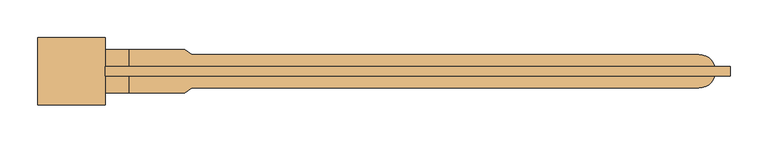
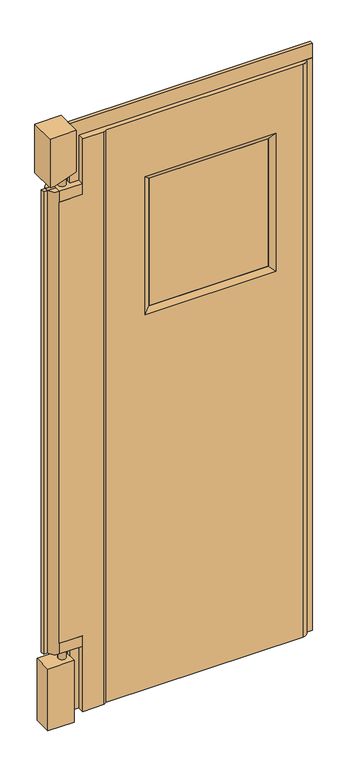
"""IFC4 building model written with IfcOpenShell, lengths in millimetres: door geometry."""

from ifc_helpers import new_model, si_unit, frame, origin, place, context, project, spatial, polyline, circle_curve, ellipse_curve, outline, extrude, source, transform, mapped, element, save
from ifc_brep_helpers import plane_surface, cylinder_surface, advanced_brep


def door_4f644c84(model_context):
    return source(origin(), model_context, "Body", "SolidModel", [
        extrude(outline(polyline([(1264.5906968, -856.2910438), (1296.3406968, -856.2910438), (1296.3406968, -868.9910438), (1264.5906968, -868.9910438), (1264.5906968, -856.2910438)])), frame((0.0, 0.0, 25.4), z_axis=(0.0, 0.0, 1.0), x_axis=(1.0, 0.0, 0.0)), (0.0, 0.0, 1.0), 234.95),
        extrude(outline(polyline([(1216.9656968, -856.2910438), (1216.9656968, -868.9910438), (1175.6906968, -868.9910438), (1175.6906968, -856.2910438), (1216.9656968, -856.2910438)])), frame((0.0, 0.0, 260.35), z_axis=(0.0, 0.0, 1.0), x_axis=(1.0, 0.0, 0.0)), (0.0, 0.0, 1.0), 1660.7934956),
        extrude(outline(polyline([(2090.0906968, -856.2910438), (2090.0906968, -868.9910438), (2055.1656968, -868.9910438), (2055.1656968, -856.2910438), (2090.0906968, -856.2910438)])), frame((0.0, 0.0, 25.4), z_axis=(0.0, 0.0, 1.0), x_axis=(1.0, 0.0, 0.0)), (0.0, 0.0, 1.0), 2057.4),
        extrude(outline(polyline([(1921.1434956, 1296.3406968), (2082.8, 1296.3406968), (2082.8, 2090.0906968), (2133.6, 2090.0906968), (2133.6, 1264.5906968), (1921.1434956, 1264.5906968), (1921.1434956, 1296.3406968)])), frame((0.0, -868.9910438, 0.0), z_axis=(0.0, 1.0, 0.0), x_axis=(0.0, 0.0, 1.0)), (0.0, 0.0, 1.0), 12.7),
        extrude(outline(polyline([(1937.6906968, -873.8675212), (1531.2906968, -873.8675212), (1531.2906968, -851.4145665), (1937.6906968, -851.4145665), (1937.6906968, -873.8675212)])), frame((0.0, 0.0, 1390.65), z_axis=(0.0, 0.0, 1.0), x_axis=(1.0, 0.0, 0.0)), (0.0, 0.0, 1.0), 457.2),
        advanced_brep(
        [(1175.6906968, -907.0910438, 2133.6), (1264.5906968, -907.0910438, 2133.6), (1264.5906968, -818.1910438, 2133.6), (1175.6906968, -818.1910438, 2133.6), (1229.6656968, -862.6410438, 1973.1107615), (1229.6656968, -862.6410438, 222.25), (1255.0656968, -862.6410438, 222.25), (1255.0656968, -862.6410438, 1982.3556055), (1175.6906968, -907.0910438, 1959.2434956), (1191.5656968, -907.0910438, 1959.2434956), (1264.5906968, -907.0910438, 1985.822422), (1264.5906968, -818.1910438, 1985.822422), (1191.5656968, -818.1910438, 1959.2434956), (1175.6906968, -818.1910438, 1959.2434956), (1264.5906968, -894.3910438, 222.25), (1175.6906968, -894.3910438, 222.25), (1175.6906968, -894.3910438, 0.0), (1264.5906968, -894.3910438, 0.0), (1264.5906968, -830.8910438, 222.25), (1264.5906968, -830.8910438, 0.0), (1175.6906968, -830.8910438, 0.0), (1175.6906968, -830.8910438, 222.25)],
        [
            (0, 1),
            (1, 2),
            (2, 3),
            (3, 0),
            (4, 5),
            (5, 6, circle_curve(frame((1242.3656968, -862.6410438, 222.25), z_axis=(0.0, 0.0, 1.0), x_axis=(1.0, 0.0, 0.0)), 12.7)),
            (6, 7),
            (7, 4, ellipse_curve(frame((1242.3656968, -862.6410438, 1977.7331835), z_axis=(0.34202014332564074, 0.0, -0.9396926207859186), x_axis=(0.9396926207859186, 0.0, 0.34202014332564046)), 13.5150577, 12.7)),
            (4, 7, ellipse_curve(frame((1242.3656968, -862.6410438, 1977.7331835), z_axis=(0.34202014332564074, 0.0, -0.9396926207859186), x_axis=(0.9396926207859186, 0.0, 0.34202014332564046)), 13.5150577, 12.7)),
            (6, 5, circle_curve(frame((1242.3656968, -862.6410438, 222.25), z_axis=(0.0, 0.0, 1.0), x_axis=(1.0, 0.0, 0.0)), 12.7)),
            (0, 8),
            (8, 9),
            (9, 10),
            (10, 1),
            (2, 11),
            (11, 12),
            (12, 13),
            (13, 3),
            (13, 8),
            (12, 9),
            (11, 10),
            (14, 15),
            (15, 16),
            (16, 17),
            (17, 14),
            (18, 19),
            (19, 20),
            (20, 21),
            (21, 18),
            (14, 18),
            (21, 15),
            (20, 16),
            (19, 17),
        ],
        [
            plane_surface(frame((1255.0656968, -862.6410438, 2133.6), z_axis=(0.0, 0.0, 1.0), x_axis=(0.0, 1.0, 0.0))),
            cylinder_surface(frame((1242.3656968, -862.6410438, 222.25), z_axis=(0.0, 0.0, 1.0), x_axis=(1.0, 0.0, 0.0)), 12.7),
            plane_surface(frame((1175.6906968, -907.0910438, 2133.6), z_axis=(0.0, -1.0, 0.0), x_axis=(-1.0, 0.0, 0.0))),
            plane_surface(frame((1175.6906968, -818.1910438, 2133.6), z_axis=(0.0, 1.0, 0.0), x_axis=(1.0, 0.0, 0.0))),
            plane_surface(frame((1175.6906968, -907.0910438, 2133.6), z_axis=(-1.0, 0.0, 0.0), x_axis=(0.0, 1.0, 0.0))),
            plane_surface(frame((1175.6906968, -907.0910438, 1959.2434956), z_axis=(0.0, 0.0, -1.0), x_axis=(0.0, 1.0, 0.0))),
            plane_surface(frame((1191.5656968, -907.0910438, 1959.2434956), z_axis=(0.34202014332564074, 0.0, -0.9396926207859186), x_axis=(0.0, 1.0, 0.0))),
            plane_surface(frame((1264.5906968, -907.0910438, 1985.822422), z_axis=(1.0, 0.0, 0.0), x_axis=(0.0, 1.0, 0.0))),
            plane_surface(frame((1175.6906968, -894.3910438, 222.25), z_axis=(0.0, -1.0, 0.0), x_axis=(-1.0, 0.0, 0.0))),
            plane_surface(frame((1175.6906968, -830.8910438, 222.25), z_axis=(0.0, 1.0, 0.0), x_axis=(1.0, 0.0, 0.0))),
            plane_surface(frame((1264.5906968, -894.3910438, 222.25), z_axis=(0.0, 0.0, 1.0), x_axis=(0.0, 1.0, 0.0))),
            plane_surface(frame((1175.6906968, -894.3910438, 222.25), z_axis=(-1.0, 0.0, 0.0), x_axis=(0.0, 1.0, 0.0))),
            plane_surface(frame((1175.6906968, -894.3910438, 0.0), z_axis=(0.0, 0.0, -1.0), x_axis=(0.0, 1.0, 0.0))),
            plane_surface(frame((1264.5906968, -894.3910438, 0.0), z_axis=(1.0, 0.0, 0.0), x_axis=(0.0, 1.0, 0.0))),
        ],
        [
            (0, [[1, 2, 3, 4]]),
            (1, [[5, 6, 7, 8]]),
            (1, [[-5, 9, -7, 10]]),
            (2, [[-1, 11, 12, 13, 14]]),
            (3, [[15, 16, 17, 18, -3]]),
            (4, [[-11, -4, -18, 19]]),
            (5, [[-12, -19, -17, 20]]),
            (6, [[-13, -20, -16, 21], [-8, -9]]),
            (7, [[-14, -21, -15, -2]]),
            (8, [[22, 23, 24, 25]]),
            (9, [[26, 27, 28, 29]]),
            (10, [[-22, 30, -29, 31], [-6, -10]]),
            (11, [[-23, -31, -28, 32]]),
            (12, [[-24, -32, -27, 33]]),
            (13, [[-25, -33, -26, -30]]),
        ],
    ),
        advanced_brep(
        [(1378.8906968, -884.8660438, 25.4), (2048.8156968, -884.8660438, 25.4), (2048.8156968, -884.8660438, 2082.8), (1378.8906968, -884.8660438, 2082.8), (1956.7406968, -884.8660438, 1866.9), (1956.7406968, -884.8660438, 1371.6), (1512.2406968, -884.8660438, 1371.6), (1512.2406968, -884.8660438, 1866.9), (1378.8906968, -840.4160438, 2082.8), (2048.8156968, -840.4160438, 2082.8), (2048.8156968, -840.4160438, 25.4), (1378.8906968, -840.4160438, 25.4), (1956.7406968, -840.4160438, 1371.6), (1956.7406968, -840.4160438, 1866.9), (1512.2406968, -840.4160438, 1866.9), (1512.2406968, -840.4160438, 1371.6), (1296.3406968, -891.2160438, 1883.0434956), (1296.3406968, -891.2160438, 2082.8), (1296.3406968, -834.0660438, 2082.8), (1296.3406968, -834.0660438, 1883.0434956), (1216.9656968, -891.2160438, 1883.0434956), (1216.9656968, -834.0660438, 1883.0434956), (1296.3406968, -891.2160438, 298.45), (1216.9656968, -891.2160438, 298.45), (1216.9656968, -834.0660438, 298.45), (1296.3406968, -834.0660438, 298.45), (1296.3406968, -891.2160438, 25.4), (1296.3406968, -834.0660438, 25.4), (1369.8219569, -834.0660438, 25.4), (1369.8219569, -891.2160438, 25.4), (1369.8219569, -834.0660438, 2082.8), (1369.8219569, -891.2160438, 2082.8), (1937.6906968, -873.8675212, 1847.85), (1937.6906968, -873.8675212, 1390.65), (1937.6906968, -851.4145665, 1847.85), (1937.6906968, -851.4145665, 1390.65), (1531.2906968, -873.8675212, 1390.65), (1531.2906968, -851.4145665, 1390.65), (1531.2906968, -873.8675212, 1847.85), (1531.2906968, -851.4145665, 1847.85), (1216.9656968, -891.2160438, 1921.1434956), (1216.9656968, -834.0660438, 1921.1434956), (1216.9656968, -891.2160438, 260.35), (1216.9656968, -834.0660438, 260.35)],
        [
            (0, 1),
            (1, 2),
            (2, 3),
            (3, 0),
            (4, 5),
            (5, 6),
            (6, 7),
            (7, 4),
            (8, 9),
            (9, 10),
            (10, 11),
            (11, 8),
            (12, 13),
            (13, 14),
            (14, 15),
            (15, 12),
            (16, 17),
            (17, 18),
            (18, 19),
            (19, 16),
            (20, 16),
            (19, 21),
            (21, 20),
            (22, 23),
            (23, 24),
            (24, 25),
            (25, 22),
            (26, 22),
            (25, 27),
            (27, 26),
            (28, 11),
            (10, 1, circle_curve(frame((2048.8156968, -862.6410438, 25.4), z_axis=(0.0, 0.0, -1.0), x_axis=(1.0, 0.0, 0.0)), 22.225)),
            (0, 29),
            (29, 26),
            (27, 28),
            (8, 30),
            (30, 18),
            (17, 31),
            (31, 3),
            (2, 9, circle_curve(frame((2048.8156968, -862.6410438, 2082.8), z_axis=(0.0, 0.0, 1.0), x_axis=(1.0, 0.0, 0.0)), 22.225)),
            (28, 30),
            (31, 29),
            (20, 23),
            (24, 21),
            (4, 32),
            (32, 33),
            (33, 5),
            (34, 13),
            (12, 35),
            (35, 34),
            (32, 34),
            (35, 33),
            (33, 36),
            (36, 6),
            (15, 37),
            (37, 35),
            (37, 36),
            (36, 38),
            (38, 7),
            (14, 39),
            (39, 37),
            (39, 38),
            (38, 32),
            (34, 39),
            (40, 41),
            (41, 40, circle_curve(frame((1216.9656968, -862.6410438, 1921.1434956), z_axis=(0.0, 0.0, 1.0), x_axis=(1.0, 0.0, 0.0)), 28.575)),
            (42, 43, circle_curve(frame((1216.9656968, -862.6410438, 260.35), z_axis=(0.0, 0.0, -1.0), x_axis=(1.0, 0.0, 0.0)), 28.575)),
            (43, 42),
            (40, 20),
            (21, 41),
            (43, 24),
            (23, 42),
        ],
        [
            plane_surface(frame((1296.3406968, -884.8660438, 1883.0434956), z_axis=(0.0, -1.0, 0.0), x_axis=(0.0, 0.0, -1.0))),
            plane_surface(frame((1296.3406968, -840.4160438, 1883.0434956), z_axis=(0.0, 1.0, 0.0), x_axis=(0.0, 0.0, 1.0))),
            plane_surface(frame((1296.3406968, -884.8660438, 2082.8), z_axis=(-1.0, 0.0, 0.0), x_axis=(0.0, 1.0, 0.0))),
            plane_surface(frame((1296.3406968, -884.8660438, 1883.0434956), z_axis=(0.0, 0.0, 1.0), x_axis=(0.0, 1.0, 0.0))),
            plane_surface(frame((1216.9656968, -884.8660438, 298.45), z_axis=(0.0, 0.0, -1.0), x_axis=(0.0, 1.0, 0.0))),
            plane_surface(frame((1296.3406968, -884.8660438, 298.45), z_axis=(-1.0, 0.0, 0.0), x_axis=(0.0, 1.0, 0.0))),
            plane_surface(frame((1296.3406968, -884.8660438, 25.4), z_axis=(0.0, 0.0, -1.0), x_axis=(0.0, 1.0, 0.0))),
            plane_surface(frame((2048.8156968, -884.8660438, 2082.8), z_axis=(0.0, 0.0, 1.0), x_axis=(0.0, 1.0, 0.0))),
            plane_surface(frame((1378.8906968, -840.4160438, 2082.8), z_axis=(0.5735764363510467, 0.8191520442889915, 0.0), x_axis=(0.0, 0.0, -1.0))),
            plane_surface(frame((1369.8219569, -891.2160438, 2082.8), z_axis=(0.5735764363504497, -0.8191520442894095, 0.0), x_axis=(0.0, 0.0, -1.0))),
            plane_surface(frame((1296.3406968, -891.2160438, 2082.8), z_axis=(0.0, -1.0, 0.0), x_axis=(-1.0, 0.0, 0.0))),
            plane_surface(frame((1296.3406968, -834.0660438, 2082.8), z_axis=(0.0, 1.0, 0.0), x_axis=(1.0, 0.0, 0.0))),
            plane_surface(frame((1937.6906968, -873.8675212, 1847.85), z_axis=(-0.49999999999997996, -0.8660254037844503, 0.0), x_axis=(0.0, 0.0, -1.0))),
            plane_surface(frame((1956.7406968, -840.4160438, 1866.9), z_axis=(-0.5000000000000054, 0.8660254037844355, 0.0), x_axis=(0.0, 0.0, -1.0))),
            plane_surface(frame((1937.6906968, -851.4145665, 1847.85), z_axis=(-1.0, 0.0, 0.0), x_axis=(0.0, 0.0, -1.0))),
            plane_surface(frame((1937.6906968, -873.8675212, 1390.65), z_axis=(0.0, -0.8660254037844571, 0.49999999999996797), x_axis=(-1.0, 0.0, 0.0))),
            plane_surface(frame((1956.7406968, -840.4160438, 1371.6), z_axis=(0.0, 0.8660254037844286, 0.5000000000000174), x_axis=(-1.0, 0.0, 0.0))),
            plane_surface(frame((1937.6906968, -851.4145665, 1390.65), z_axis=(0.0, 0.0, 1.0), x_axis=(-1.0, 0.0, 0.0))),
            plane_surface(frame((1531.2906968, -873.8675212, 1390.65), z_axis=(0.49999999999997996, -0.8660254037844503, 0.0), x_axis=(0.0, 0.0, 1.0))),
            plane_surface(frame((1512.2406968, -840.4160438, 1371.6), z_axis=(0.5000000000000054, 0.8660254037844355, 0.0), x_axis=(0.0, 0.0, 1.0))),
            plane_surface(frame((1531.2906968, -851.4145665, 1390.65), z_axis=(1.0, 0.0, 0.0), x_axis=(0.0, 0.0, 1.0))),
            plane_surface(frame((1531.2906968, -873.8675212, 1847.85), z_axis=(0.0, -0.8660254037844434, -0.49999999999999195), x_axis=(1.0, 0.0, 0.0))),
            plane_surface(frame((1512.2406968, -840.4160438, 1866.9), z_axis=(0.0, 0.8660254037844425, -0.4999999999999935), x_axis=(1.0, 0.0, 0.0))),
            plane_surface(frame((1531.2906968, -851.4145665, 1847.85), z_axis=(0.0, 0.0, -1.0), x_axis=(1.0, 0.0, 0.0))),
            plane_surface(frame((1216.9656968, -834.0660438, 1921.1434956), z_axis=(0.0, 0.0, 1.0), x_axis=(0.0, 1.0, 0.0))),
            plane_surface(frame((1216.9656968, -834.0660438, 260.35), z_axis=(0.0, 0.0, -1.0), x_axis=(0.0, -1.0, 0.0))),
            plane_surface(frame((1216.9656968, -891.2160438, 1921.1434956), z_axis=(1.0, 0.0, 0.0), x_axis=(0.0, 0.0, -1.0))),
            cylinder_surface(frame((1216.9656968, -862.6410438, 260.35), z_axis=(0.0, 0.0, 1.0), x_axis=(1.0, 0.0, 0.0)), 28.575),
            cylinder_surface(frame((2048.8156968, -862.6410438, 25.4), z_axis=(0.0, 0.0, 1.0), x_axis=(1.0, 0.0, 0.0)), 22.225),
        ],
        [
            (0, [[1, 2, 3, 4], [5, 6, 7, 8]]),
            (1, [[9, 10, 11, 12], [13, 14, 15, 16]]),
            (2, [[17, 18, 19, 20]]),
            (3, [[21, -20, 22, 23]]),
            (4, [[24, 25, 26, 27]]),
            (5, [[28, -27, 29, 30]]),
            (6, [[31, -11, 32, -1, 33, 34, -30, 35]]),
            (7, [[36, 37, -18, 38, 39, -3, 40, -9]]),
            (8, [[-36, -12, -31, 41]]),
            (9, [[-39, 42, -33, -4]]),
            (10, [[-38, -17, -21, 43, -24, -28, -34, -42]]),
            (11, [[-35, -29, -26, 44, -22, -19, -37, -41]]),
            (12, [[45, 46, 47, -5]]),
            (13, [[48, -13, 49, 50]]),
            (14, [[-46, 51, -50, 52]]),
            (15, [[-47, 53, 54, -6]]),
            (16, [[-49, -16, 55, 56]]),
            (17, [[-52, -56, 57, -53]]),
            (18, [[-54, 58, 59, -7]]),
            (19, [[-55, -15, 60, 61]]),
            (20, [[-57, -61, 62, -58]]),
            (21, [[-45, -8, -59, 63]]),
            (22, [[-48, 64, -60, -14]]),
            (23, [[-51, -63, -62, -64]]),
            (24, [[65, 66]]),
            (25, [[67, 68]]),
            (26, [[-65, 69, -23, 70]]),
            (26, [[-68, 71, -25, 72]]),
            (27, [[-66, -70, -44, -71, -67, -72, -43, -69]]),
            (28, [[-40, -2, -32, -10]]),
        ],
    ),
        extrude(outline(polyline([(1296.3406968, -891.2160438), (1216.9656968, -891.2160438), (1216.9656968, -834.0660438), (1296.3406968, -834.0660438), (1296.3406968, -891.2160438)])), frame((0.0, 0.0, 1883.0434956), z_axis=(0.0, 0.0, 1.0), x_axis=(1.0, 0.0, 0.0)), (0.0, 0.0, 1.0), 38.1),
        extrude(outline(polyline([(1296.3406968, -891.2160438), (1216.9656968, -891.2160438), (1216.9656968, -834.0660438), (1296.3406968, -834.0660438), (1296.3406968, -891.2160438)])), frame((0.0, 0.0, 260.35), z_axis=(0.0, 0.0, 1.0), x_axis=(1.0, 0.0, 0.0)), (0.0, 0.0, 1.0), 38.1),
    ])


if __name__ == "__main__":
    model = new_model("IFC4")
    model_context = context("Model", 3, world=origin())
    ifc_project = project(units=[si_unit("LENGTHUNIT", "METRE", prefix="MILLI")], contexts=[model_context])
    site = spatial("IfcSite", under=ifc_project)
    building = spatial("IfcBuilding", under=site)
    placement = place(None, origin())
    door_shape = door_4f644c84(model_context)
    element("IfcDoor", 1, at=placement, inside=building, context=model_context, shape_type="MappedRepresentation", body=[
        mapped(door_shape, transform((0.0, 0.0, 0.0), x_axis=(1.0, 0.0, 0.0), y_axis=(0.0, 1.0, 0.0), z_axis=(0.0, 0.0, 1.0))),
    ])
    save(model, "model.ifc")
